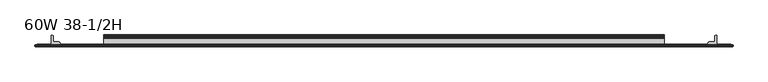
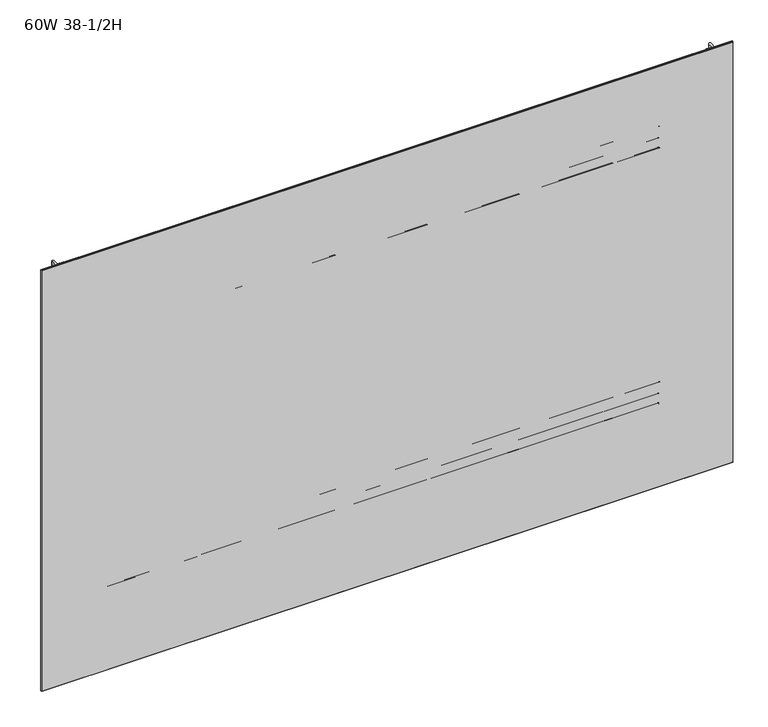
"""IFC4 building model written with IfcOpenShell, lengths in millimetres: furniture geometry, 60W 38-1/2H."""

from ifc_helpers import new_model, si_unit, point, frame, frame_2d, origin, place, context, project, spatial, polyline, circle_curve, trimmed, segment, composite_curve, outline, extrude, faceted_brep, source, transform, mapped, element, save


def furniture_60w_38_1_2h_42da8c29(model_context):
    return source(origin(), model_context, "Body", "SolidModel", [
        extrude(outline(composite_curve([segment(polyline([(-5.2324, 903.9299175), (-5.2324, 925.0484434)]), True, "CONTINUOUS"), segment(trimmed(circle_curve(frame_2d((-4.677496, 925.0484434)), 0.554904), [point((-5.2324, 925.0484434))], [point((-4.5338691, 925.5844377))], False, "CARTESIAN"), True, "CONTINUOUS"), segment(polyline([(-4.5338691, 925.5844377), (-3.3274001, 925.2611481), (-2.3976956, 924.331481), (-2.0574001, 923.0614277), (-2.0574001, 910.2916431)]), True, "CONTINUOUS"), segment(trimmed(circle_curve(frame_2d((-1.4921701, 910.2916431)), 0.5652299), [point((-2.0574001, 910.2916431))], [point((-1.4921701, 909.7264132))], True, "CARTESIAN"), True, "CONTINUOUS"), segment(polyline([(-1.4921701, 909.7264132), (0.5143951, 909.7264132)]), True, "CONTINUOUS"), segment(trimmed(circle_curve(frame_2d((0.5143951, 909.1232083)), 0.6032049), [point((0.5143951, 909.7264132))], [point((1.1176, 909.1232083))], False, "CARTESIAN"), True, "CONTINUOUS"), segment(polyline([(1.1176, 909.1232083), (1.1176, 878.0086046)]), True, "CONTINUOUS"), segment(trimmed(circle_curve(frame_2d((0.6637885, 880.6978096)), 2.7272272), [point((1.1176, 878.0086046))], [point((-2.0574001, 880.5164229))], False, "CARTESIAN"), True, "CONTINUOUS"), segment(polyline([(-2.0574001, 880.5164229), (-2.0574001, 902.8321717)]), True, "CONTINUOUS"), segment(trimmed(circle_curve(frame_2d((-2.6016657, 902.8321717)), 0.5442657), [point((-2.0574001, 902.8321717))], [point((-2.6016657, 903.3764374))], True, "CARTESIAN"), True, "CONTINUOUS"), segment(polyline([(-2.6016657, 903.3764374), (-4.6789199, 903.3764374)]), True, "CONTINUOUS"), segment(trimmed(circle_curve(frame_2d((-4.6789199, 903.9299175)), 0.5534801), [point((-4.6789199, 903.3764374))], [point((-5.2324, 903.9299175))], False, "CARTESIAN"), True, "CONTINUOUS")], self_intersect=False)), frame((152.4, 0.0, 0.0), z_axis=(1.0, 0.0, 0.0), x_axis=(0.0, 1.0, 0.0)), (0.0, 0.0, 1.0), 1219.2),
        extrude(outline(composite_curve([segment(polyline([(-7.1373999, 957.3514132), (-4.5974, 956.6708588), (-2.7379909, 954.8114519), (-2.0574001, 952.271418), (-2.0574001, 930.6577352)]), True, "CONTINUOUS"), segment(trimmed(circle_curve(frame_2d((-1.4969277, 930.6577352)), 0.5604724), [point((-2.0574001, 930.6577352))], [point((-1.4969277, 930.0972628))], True, "CARTESIAN"), True, "CONTINUOUS"), segment(polyline([(-1.4969277, 930.0972628), (0.4039455, 930.0972628)]), True, "CONTINUOUS"), segment(trimmed(circle_curve(frame_2d((0.4039455, 929.3836084)), 0.7136544), [point((0.4039455, 930.0972628))], [point((1.1176, 929.3836084))], False, "CARTESIAN"), True, "CONTINUOUS"), segment(polyline([(1.1176, 929.3836084), (1.1176, 911.0274694)]), True, "CONTINUOUS"), segment(trimmed(circle_curve(frame_2d((0.4746932, 911.0274694)), 0.6429068), [point((1.1176, 911.0274694))], [point((-0.1003385, 910.7399495))], False, "CARTESIAN"), True, "CONTINUOUS"), segment(polyline([(-0.1003385, 910.7399495), (-1.8183367, 914.1758984)]), True, "CONTINUOUS"), segment(trimmed(circle_curve(frame_2d((0.2069874, 915.1885745)), 2.2643874), [point((-1.8183367, 914.1758984))], [point((-2.0574001, 915.1885745))], False, "CARTESIAN"), True, "CONTINUOUS"), segment(polyline([(-2.0574001, 915.1885745), (-2.0574001, 924.8642528)]), True, "CONTINUOUS"), segment(trimmed(circle_curve(frame_2d((-2.7946089, 924.8642528)), 0.7372088), [point((-2.0574001, 924.8642528))], [point((-2.7946089, 925.6014616))], True, "CARTESIAN"), True, "CONTINUOUS"), segment(polyline([(-2.7946089, 925.6014616), (-19.4564001, 925.6014616), (-19.4564001, 957.3514132), (-7.1373999, 957.3514132)]), True, "CONTINUOUS")], self_intersect=False), holes=[composite_curve([segment(trimmed(circle_curve(frame_2d((-13.0222745, 952.0603262)), 2.7511257), [point((-13.0222745, 954.8114519))], [point((-15.7734002, 952.0603262))], True, "CARTESIAN"), True, "CONTINUOUS"), segment(polyline([(-15.7734002, 952.0603262), (-15.7734002, 930.7254781)]), True, "CONTINUOUS"), segment(trimmed(circle_curve(frame_2d((-13.189345, 930.7254781)), 2.5840552), [point((-15.7734002, 930.7254781))], [point((-13.189345, 928.1414229))], True, "CARTESIAN"), True, "CONTINUOUS"), segment(polyline([(-13.189345, 928.1414229), (-7.4218653, 928.1414229)]), True, "CONTINUOUS"), segment(trimmed(circle_curve(frame_2d((-7.4218653, 930.9658881)), 2.8244652), [point((-7.4218653, 928.1414229))], [point((-4.5974, 930.9658881))], True, "CARTESIAN"), True, "CONTINUOUS"), segment(polyline([(-4.5974, 930.9658881), (-4.5974, 952.1343081)]), True, "CONTINUOUS"), segment(trimmed(circle_curve(frame_2d((-7.2745438, 952.1343081)), 2.6771438), [point((-4.5974, 952.1343081))], [point((-7.2745438, 954.8114519))], True, "CARTESIAN"), True, "CONTINUOUS"), segment(polyline([(-7.2745438, 954.8114519), (-13.0222745, 954.8114519)]), True, "CONTINUOUS")], self_intersect=False)]), frame((152.4, 0.0, 0.0), z_axis=(1.0, 0.0, 0.0), x_axis=(0.0, 1.0, 0.0)), (0.0, 0.0, 1.0), 1219.2),
        extrude(outline(composite_curve([segment(polyline([(-5.2324, 1497.6422044), (-5.2324, 1518.7607302)]), True, "CONTINUOUS"), segment(trimmed(circle_curve(frame_2d((-4.677496, 1518.7607302)), 0.554904), [point((-5.2324, 1518.7607302))], [point((-4.5338691, 1519.2967245))], False, "CARTESIAN"), True, "CONTINUOUS"), segment(polyline([(-4.5338691, 1519.2967245), (-3.3274001, 1518.9734349), (-2.3976956, 1518.0437678), (-2.0574001, 1516.7737145), (-2.0574001, 1504.0039299)]), True, "CONTINUOUS"), segment(trimmed(circle_curve(frame_2d((-1.4921701, 1504.0039299)), 0.5652299), [point((-2.0574001, 1504.0039299))], [point((-1.4921701, 1503.4387))], True, "CARTESIAN"), True, "CONTINUOUS"), segment(polyline([(-1.4921701, 1503.4387), (0.5143951, 1503.4387)]), True, "CONTINUOUS"), segment(trimmed(circle_curve(frame_2d((0.5143951, 1502.8354951)), 0.6032049), [point((0.5143951, 1503.4387))], [point((1.1176, 1502.8354951))], False, "CARTESIAN"), True, "CONTINUOUS"), segment(polyline([(1.1176, 1502.8354951), (1.1176, 1471.7208914)]), True, "CONTINUOUS"), segment(trimmed(circle_curve(frame_2d((0.6637885, 1474.4100964)), 2.7272272), [point((1.1176, 1471.7208914))], [point((-2.0574001, 1474.2287097))], False, "CARTESIAN"), True, "CONTINUOUS"), segment(polyline([(-2.0574001, 1474.2287097), (-2.0574001, 1496.5444586)]), True, "CONTINUOUS"), segment(trimmed(circle_curve(frame_2d((-2.6016657, 1496.5444586)), 0.5442657), [point((-2.0574001, 1496.5444586))], [point((-2.6016657, 1497.0887242))], True, "CARTESIAN"), True, "CONTINUOUS"), segment(polyline([(-2.6016657, 1497.0887242), (-4.6789199, 1497.0887242)]), True, "CONTINUOUS"), segment(trimmed(circle_curve(frame_2d((-4.6789199, 1497.6422044)), 0.5534801), [point((-4.6789199, 1497.0887242))], [point((-5.2324, 1497.6422044))], False, "CARTESIAN"), True, "CONTINUOUS")], self_intersect=False)), frame((152.4, 0.0, 0.0), z_axis=(1.0, 0.0, 0.0), x_axis=(0.0, 1.0, 0.0)), (0.0, 0.0, 1.0), 1219.2),
        extrude(outline(composite_curve([segment(polyline([(-7.1373999, 1551.0637), (-4.5974, 1550.3831456), (-2.7379909, 1548.5237388), (-2.0574001, 1545.9837048), (-2.0574001, 1524.370022)]), True, "CONTINUOUS"), segment(trimmed(circle_curve(frame_2d((-1.4969277, 1524.370022)), 0.5604724), [point((-2.0574001, 1524.370022))], [point((-1.4969277, 1523.8095496))], True, "CARTESIAN"), True, "CONTINUOUS"), segment(polyline([(-1.4969277, 1523.8095496), (0.4039455, 1523.8095496)]), True, "CONTINUOUS"), segment(trimmed(circle_curve(frame_2d((0.4039455, 1523.0958952)), 0.7136544), [point((0.4039455, 1523.8095496))], [point((1.1176, 1523.0958952))], False, "CARTESIAN"), True, "CONTINUOUS"), segment(polyline([(1.1176, 1523.0958952), (1.1176, 1504.7397562)]), True, "CONTINUOUS"), segment(trimmed(circle_curve(frame_2d((0.4746932, 1504.7397562)), 0.6429068), [point((1.1176, 1504.7397562))], [point((-0.1003385, 1504.4522364))], False, "CARTESIAN"), True, "CONTINUOUS"), segment(polyline([(-0.1003385, 1504.4522364), (-1.8183367, 1507.8881852)]), True, "CONTINUOUS"), segment(trimmed(circle_curve(frame_2d((0.2069874, 1508.9008613)), 2.2643874), [point((-1.8183367, 1507.8881852))], [point((-2.0574001, 1508.9008613))], False, "CARTESIAN"), True, "CONTINUOUS"), segment(polyline([(-2.0574001, 1508.9008613), (-2.0574001, 1518.5765396)]), True, "CONTINUOUS"), segment(trimmed(circle_curve(frame_2d((-2.7946089, 1518.5765396)), 0.7372088), [point((-2.0574001, 1518.5765396))], [point((-2.7946089, 1519.3137484))], True, "CARTESIAN"), True, "CONTINUOUS"), segment(polyline([(-2.7946089, 1519.3137484), (-19.4564001, 1519.3137484), (-19.4564001, 1551.0637), (-7.1373999, 1551.0637)]), True, "CONTINUOUS")], self_intersect=False), holes=[composite_curve([segment(trimmed(circle_curve(frame_2d((-13.0222745, 1545.772613)), 2.7511257), [point((-13.0222745, 1548.5237388))], [point((-15.7734002, 1545.772613))], True, "CARTESIAN"), True, "CONTINUOUS"), segment(polyline([(-15.7734002, 1545.772613), (-15.7734002, 1524.4377649)]), True, "CONTINUOUS"), segment(trimmed(circle_curve(frame_2d((-13.189345, 1524.4377649)), 2.5840552), [point((-15.7734002, 1524.4377649))], [point((-13.189345, 1521.8537097))], True, "CARTESIAN"), True, "CONTINUOUS"), segment(polyline([(-13.189345, 1521.8537097), (-7.4218653, 1521.8537097)]), True, "CONTINUOUS"), segment(trimmed(circle_curve(frame_2d((-7.4218653, 1524.6781749)), 2.8244652), [point((-7.4218653, 1521.8537097))], [point((-4.5974, 1524.6781749))], True, "CARTESIAN"), True, "CONTINUOUS"), segment(polyline([(-4.5974, 1524.6781749), (-4.5974, 1545.846595)]), True, "CONTINUOUS"), segment(trimmed(circle_curve(frame_2d((-7.2745438, 1545.846595)), 2.6771438), [point((-4.5974, 1545.846595))], [point((-7.2745438, 1548.5237388))], True, "CARTESIAN"), True, "CONTINUOUS"), segment(polyline([(-7.2745438, 1548.5237388), (-13.0222745, 1548.5237388)]), True, "CONTINUOUS")], self_intersect=False)]), frame((152.4, 0.0, 0.0), z_axis=(1.0, 0.0, 0.0), x_axis=(0.0, 1.0, 0.0)), (0.0, 0.0, 1.0), 1219.2),
        extrude(outline(composite_curve([segment(trimmed(circle_curve(frame_2d((1485.3524764, -18.9088765)), 0.5475236), [point((1485.9, -18.9088765))], [point((1485.3524764, -19.4564001))], False, "CARTESIAN"), True, "CONTINUOUS"), segment(polyline([(1485.3524764, -19.4564001), (1467.4113866, -19.4564001)]), True, "CONTINUOUS"), segment(trimmed(circle_curve(frame_2d((1467.4113866, -18.8950135)), 0.5613866), [point((1467.4113866, -19.4564001))], [point((1466.85, -18.8950135))], False, "CARTESIAN"), True, "CONTINUOUS"), segment(polyline([(1466.85, -18.8950135), (1466.85, -16.8669745)]), True, "CONTINUOUS"), segment(trimmed(circle_curve(frame_2d((1469.4294745, -16.8669745)), 2.5794745), [point((1466.85, -16.8669745))], [point((1469.4294745, -14.2875))], False, "CARTESIAN"), True, "CONTINUOUS"), segment(polyline([(1469.4294745, -14.2875), (1480.4787912, -14.2875)]), True, "CONTINUOUS"), segment(trimmed(circle_curve(frame_2d((1480.4787912, -13.6414903)), 0.6460097), [point((1480.4787912, -14.2875))], [point((1481.1248009, -13.6414903))], True, "CARTESIAN"), True, "CONTINUOUS"), segment(polyline([(1481.1248009, -13.6414903), (1481.1248009, -2.768893)]), True, "CONTINUOUS"), segment(trimmed(circle_curve(frame_2d((1483.8936939, -2.768893)), 2.768893), [point((1481.1248009, -2.768893))], [point((1483.8936939, 0.0))], False, "CARTESIAN"), True, "CONTINUOUS"), segment(polyline([(1483.8936939, 0.0), (1485.3082199, 0.0)]), True, "CONTINUOUS"), segment(trimmed(circle_curve(frame_2d((1485.3082199, -0.5917801)), 0.5917801), [point((1485.3082199, 0.0))], [point((1485.9, -0.5917801))], False, "CARTESIAN"), True, "CONTINUOUS"), segment(polyline([(1485.9, -0.5917801), (1485.9, -18.9088765)]), True, "CONTINUOUS")], self_intersect=False)), frame((0.0, 0.0, 730.504), z_axis=(0.0, 0.0, 1.0), x_axis=(1.0, 0.0, 0.0)), (0.0, 0.0, 1.0), 968.3623),
        extrude(outline(composite_curve([segment(polyline([(38.1, -18.9088765), (38.1, -0.5917801)]), True, "CONTINUOUS"), segment(trimmed(circle_curve(frame_2d((38.6917801, -0.5917801)), 0.5917801), [point((38.1, -0.5917801))], [point((38.6917801, 0.0))], False, "CARTESIAN"), True, "CONTINUOUS"), segment(polyline([(38.6917801, 0.0), (40.1063061, 0.0)]), True, "CONTINUOUS"), segment(trimmed(circle_curve(frame_2d((40.1063061, -2.768893)), 2.768893), [point((40.1063061, 0.0))], [point((42.8751991, -2.768893))], False, "CARTESIAN"), True, "CONTINUOUS"), segment(polyline([(42.8751991, -2.768893), (42.8751991, -13.6414903)]), True, "CONTINUOUS"), segment(trimmed(circle_curve(frame_2d((43.5212088, -13.6414903)), 0.6460097), [point((42.8751991, -13.6414903))], [point((43.5212088, -14.2875))], True, "CARTESIAN"), True, "CONTINUOUS"), segment(polyline([(43.5212088, -14.2875), (54.5705255, -14.2875)]), True, "CONTINUOUS"), segment(trimmed(circle_curve(frame_2d((54.5705255, -16.8669745)), 2.5794745), [point((54.5705255, -14.2875))], [point((57.15, -16.8669745))], False, "CARTESIAN"), True, "CONTINUOUS"), segment(polyline([(57.15, -16.8669745), (57.15, -18.8950135)]), True, "CONTINUOUS"), segment(trimmed(circle_curve(frame_2d((56.5886134, -18.8950135)), 0.5613866), [point((57.15, -18.8950135))], [point((56.5886134, -19.4564001))], False, "CARTESIAN"), True, "CONTINUOUS"), segment(polyline([(56.5886134, -19.4564001), (38.6475236, -19.4564001)]), True, "CONTINUOUS"), segment(trimmed(circle_curve(frame_2d((38.6475236, -18.9088765)), 0.5475236), [point((38.6475236, -19.4564001))], [point((38.1, -18.9088765))], False, "CARTESIAN"), True, "CONTINUOUS")], self_intersect=False)), frame((0.0, 0.0, 730.504), z_axis=(0.0, 0.0, 1.0), x_axis=(1.0, 0.0, 0.0)), (0.0, 0.0, 1.0), 968.3623),
        extrude(outline(polyline([(1516.6975002, -20.0634601), (7.3024998, -20.0634601), (7.3024998, -19.4564001), (1516.6975002, -19.4564001), (1516.6975002, -20.0634601)])), frame((0.0, 0.0, 730.504), z_axis=(0.0, 0.0, 1.0), x_axis=(1.0, 0.0, 0.0)), (0.0, 0.0, 1.0), 968.3623),
        faceted_brep([(1521.4600024, -24.0512595, 1703.6288), (1521.4600024, -20.8508598, 1703.6288), (2.5400001, -20.8508598, 1703.6288), (2.5400001, -24.0512595, 1703.6288), (2.5400001, -24.0512595, 725.7288), (2.5400001, -20.8508598, 725.7288), (1521.4600024, -20.8508598, 725.7288), (1521.4600024, -24.0512595, 725.7288), (3.3274521, -24.8386592, 1702.8413481), (3.3274521, -24.8386592, 726.5162519), (1520.6725505, -24.8386592, 726.5162519), (1520.6725505, -24.8386592, 1702.8413481), (3.3274521, -20.0634601, 726.5162519), (3.3274521, -20.0634601, 1702.8413481), (1520.6725505, -20.0634601, 1702.8413481), (1520.6725505, -20.0634601, 726.5162519)], [[[0, 1, 2, 3]], [[4, 5, 6, 7]], [[8, 9, 10, 11]], [[1, 0, 7, 6]], [[12, 13, 14, 15]], [[3, 2, 5, 4]], [[12, 5, 2, 13]], [[4, 9, 8, 3]], [[5, 12, 15, 6]], [[9, 4, 7, 10]], [[6, 15, 14, 1]], [[10, 7, 0, 11]], [[13, 2, 1, 14]], [[3, 8, 11, 0]]]),
    ])


if __name__ == "__main__":
    model = new_model("IFC4")
    model_context = context("Model", 3, world=origin())
    ifc_project = project(units=[si_unit("LENGTHUNIT", "METRE", prefix="MILLI")], contexts=[model_context])
    site = spatial("IfcSite", under=ifc_project)
    building = spatial("IfcBuilding", under=site)
    placement = place(None, origin())
    furniture_60w_38_1_2h_shape = furniture_60w_38_1_2h_42da8c29(model_context)
    element("IfcFurniture", 1, ObjectType="60W 38-1/2H", at=placement, inside=building, context=model_context, shape_type="MappedRepresentation", body=[
        mapped(furniture_60w_38_1_2h_shape, transform((0.0, 0.0, 0.0), x_axis=(1.0, 0.0, 0.0), y_axis=(0.0, 1.0, 0.0), z_axis=(0.0, 0.0, 1.0))),
    ])
    save(model, "model.ifc")
